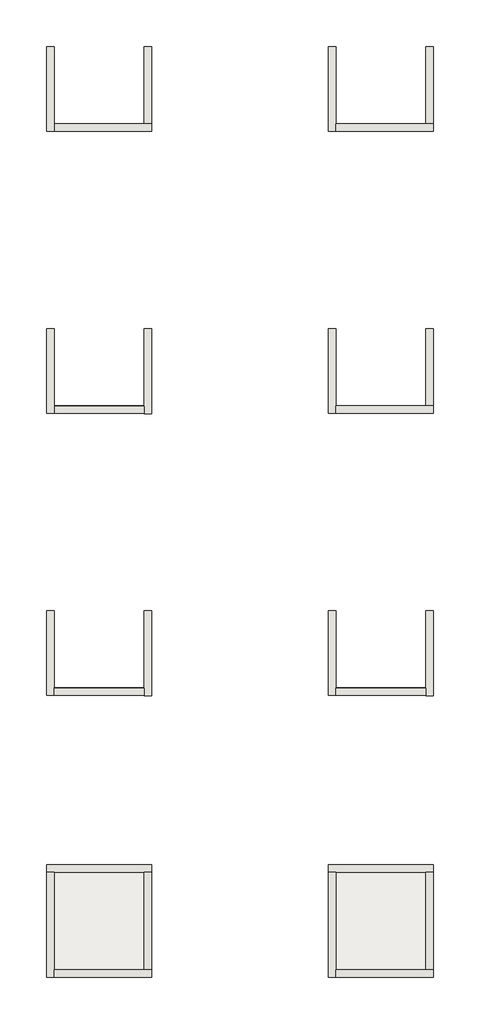
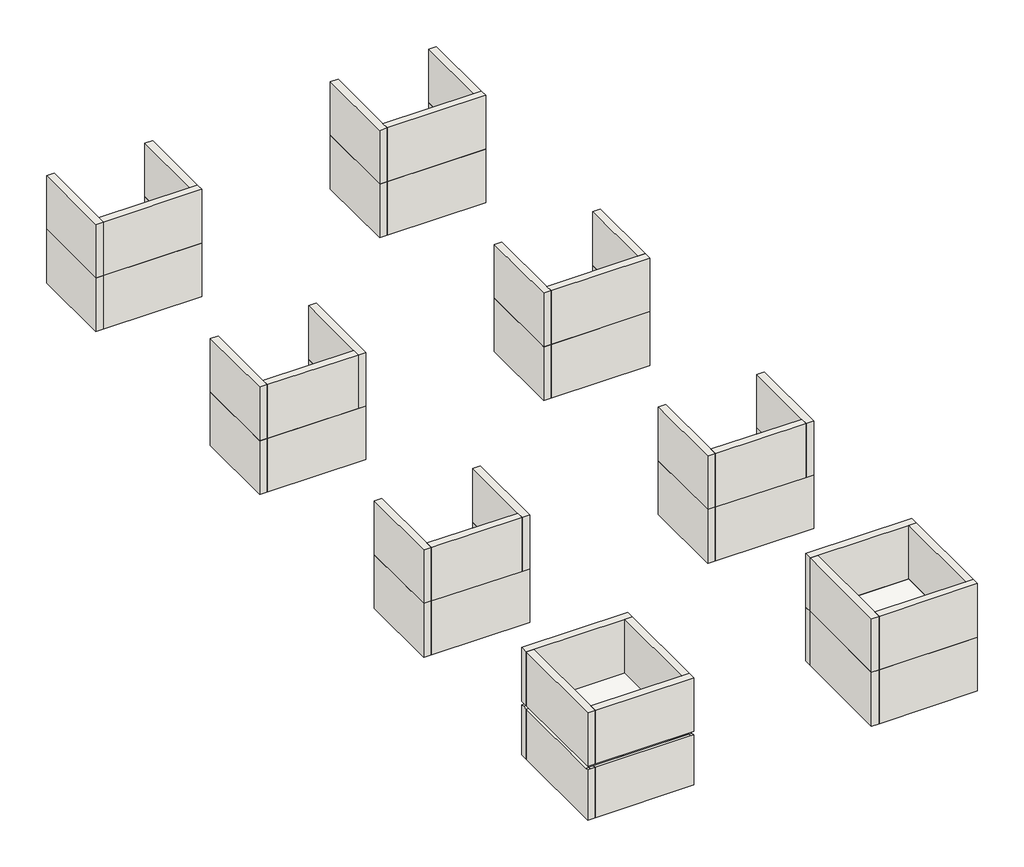
# Not in any storey: 52 walls, 2 slabs.
"""IFC4 building model written with IfcOpenShell, lengths in millimetres."""

from ifc_helpers import new_model, si_unit, frame, origin, origin_with_axes, place, context, project, spatial, polyline, outline, extrude, faceted_brep, element, save

model = new_model("IFC4")

# Units and contexts
model_context = context("Model", 3, world=origin())
ifc_project = project(units=[si_unit("LENGTHUNIT", "METRE", prefix="MILLI")], contexts=[model_context])

# Site, building
site = spatial("IfcSite", under=ifc_project)
building = spatial("IfcBuilding", under=site)

# Slabs
placement = place(None, origin())
element("IfcSlab", 1, ObjectType="STB 200", at=placement, inside=building, context=model_context, shape_type="SweptSolid", body=[
    extrude(outline(polyline([(7141.0627058, -46985.654052), (7141.0627058, -52665.654052), (1861.0627058, -52665.654052), (1861.0627058, -46985.654052), (7141.0627058, -46985.654052)])), frame((0.0, 0.0, 2800.0), z_axis=(0.0, 0.0, 1.0), x_axis=(1.0, 0.0, 0.0)), (0.0, 0.0, 1.0), 200.0),
])
element("IfcSlab", 2, ObjectType="STB 200", at=placement, inside=building, context=model_context, shape_type="SweptSolid", body=[
    extrude(outline(polyline([(22141.0627058, -46985.654052), (22141.0627058, -52665.654052), (16861.0627058, -52665.654052), (16861.0627058, -46985.654052), (22141.0627058, -46985.654052)])), frame((0.0, 0.0, 2800.0), z_axis=(0.0, 0.0, 1.0), x_axis=(1.0, 0.0, 0.0)), (0.0, 0.0, 1.0), 200.0),
])

# Walls
element("IfcWall", 3, at=placement, inside=building, context=model_context, shape_type="Brep", body=[
    faceted_brep([(1701.0627058, -3325.654052, 0.0), (1701.0627058, -7825.654052, 0.0), (1701.0627058, -7825.654052, 3000.0), (1701.0627058, -3325.654052, 3000.0), (2101.0627058, -3325.654052, 0.0), (2101.0627058, -3325.654052, 3000.0), (2101.0627058, -7425.654052, 3000.0), (2101.0627058, -7825.654052, 3000.0), (2101.0627058, -7825.654052, 0.0), (2101.0627058, -7425.654052, 0.0)], [[[0, 1, 2, 3]], [[4, 5, 6, 7, 8, 9]], [[1, 0, 4, 9, 8]], [[3, 2, 7, 6, 5]], [[0, 3, 5, 4]], [[2, 1, 8, 7]]]),
])
element("IfcWall", 4, at=placement, inside=building, context=model_context, shape_type="Brep", body=[
    faceted_brep([(2101.0627058, -7825.654052, 0.0), (7301.0627058, -7825.654052, 0.0), (7301.0627058, -7825.654052, 3000.0), (2101.0627058, -7825.654052, 3000.0), (2101.0627058, -7425.654052, 0.0), (2101.0627058, -7425.654052, 3000.0), (6901.0627058, -7425.654052, 3000.0), (7301.0627058, -7425.654052, 3000.0), (7301.0627058, -7425.654052, 0.0), (6901.0627058, -7425.654052, 0.0)], [[[0, 1, 2, 3]], [[4, 5, 6, 7, 8, 9]], [[1, 0, 4, 9, 8]], [[3, 2, 7, 6, 5]], [[0, 3, 5, 4]], [[2, 1, 8, 7]]]),
])
element("IfcWall", 5, at=placement, inside=building, context=model_context, shape_type="SweptSolid", body=[
    extrude(outline(polyline([(7301.0627058, -3325.654052), (7301.0627058, -7425.654052), (6901.0627058, -7425.654052), (6901.0627058, -3325.654052), (7301.0627058, -3325.654052)])), origin_with_axes(), (0.0, 0.0, 1.0), 3000.0),
])
element("IfcWall", 6, at=placement, inside=building, context=model_context, shape_type="Brep", body=[
    faceted_brep([(1701.0627058, -3325.654052, 3000.0), (1701.0627058, -7825.654052, 3000.0), (1701.0627058, -7825.654052, 6000.0), (1701.0627058, -3325.654052, 6000.0), (2101.0627058, -3325.654052, 3000.0), (2101.0627058, -3325.654052, 6000.0), (2101.0627058, -7425.654052, 6000.0), (2101.0627058, -7825.654052, 6000.0), (2101.0627058, -7825.654052, 3000.0), (2101.0627058, -7425.654052, 3000.0)], [[[0, 1, 2, 3]], [[4, 5, 6, 7, 8, 9]], [[1, 0, 4, 9, 8]], [[3, 2, 7, 6, 5]], [[0, 3, 5, 4]], [[2, 1, 8, 7]]]),
])
element("IfcWall", 7, at=placement, inside=building, context=model_context, shape_type="Brep", body=[
    faceted_brep([(2101.0627058, -7825.654052, 3000.0), (7301.0627058, -7825.654052, 3000.0), (7301.0627058, -7825.654052, 6000.0), (2101.0627058, -7825.654052, 6000.0), (2101.0627058, -7425.654052, 3000.0), (2101.0627058, -7425.654052, 6000.0), (6901.0627058, -7425.654052, 6000.0), (7301.0627058, -7425.654052, 6000.0), (7301.0627058, -7425.654052, 3000.0), (6901.0627058, -7425.654052, 3000.0)], [[[0, 1, 2, 3]], [[4, 5, 6, 7, 8, 9]], [[1, 0, 4, 9, 8]], [[3, 2, 7, 6, 5]], [[0, 3, 5, 4]], [[2, 1, 8, 7]]]),
])
element("IfcWall", 8, at=placement, inside=building, context=model_context, shape_type="SweptSolid", body=[
    extrude(outline(polyline([(7301.0627058, -3325.654052), (7301.0627058, -7425.654052), (6901.0627058, -7425.654052), (6901.0627058, -3325.654052), (7301.0627058, -3325.654052)])), frame((0.0, 0.0, 3000.0), z_axis=(0.0, 0.0, 1.0), x_axis=(1.0, 0.0, 0.0)), (0.0, 0.0, 1.0), 3000.0),
])
element("IfcWall", 9, at=placement, inside=building, context=model_context, shape_type="Brep", body=[
    faceted_brep([(16701.0627058, -3325.654052, 0.0), (16701.0627058, -7825.654052, 0.0), (16701.0627058, -7825.654052, 3000.0), (16701.0627058, -3325.654052, 3000.0), (17101.0627058, -3325.654052, 0.0), (17101.0627058, -3325.654052, 3000.0), (17101.0627058, -7425.654052, 3000.0), (17101.0627058, -7825.654052, 3000.0), (17101.0627058, -7825.654052, 0.0), (17101.0627058, -7425.654052, 0.0)], [[[0, 1, 2, 3]], [[4, 5, 6, 7, 8, 9]], [[1, 0, 4, 9, 8]], [[3, 2, 7, 6, 5]], [[0, 3, 5, 4]], [[2, 1, 8, 7]]]),
])
element("IfcWall", 10, at=placement, inside=building, context=model_context, shape_type="Brep", body=[
    faceted_brep([(17101.0627058, -7825.654052, 0.0), (22301.0627058, -7825.654052, 0.0), (22301.0627058, -7825.654052, 3000.0), (17101.0627058, -7825.654052, 3000.0), (17101.0627058, -7425.654052, 0.0), (17101.0627058, -7425.654052, 3000.0), (21901.0627058, -7425.654052, 3000.0), (22301.0627058, -7425.654052, 3000.0), (22301.0627058, -7425.654052, 0.0), (21901.0627058, -7425.654052, 0.0)], [[[0, 1, 2, 3]], [[4, 5, 6, 7, 8, 9]], [[1, 0, 4, 9, 8]], [[3, 2, 7, 6, 5]], [[0, 3, 5, 4]], [[2, 1, 8, 7]]]),
])
element("IfcWall", 11, at=placement, inside=building, context=model_context, shape_type="SweptSolid", body=[
    extrude(outline(polyline([(22301.0627058, -3325.654052), (22301.0627058, -7425.654052), (21901.0627058, -7425.654052), (21901.0627058, -3325.654052), (22301.0627058, -3325.654052)])), origin_with_axes(), (0.0, 0.0, 1.0), 3000.0),
])
element("IfcWall", 12, at=placement, inside=building, context=model_context, shape_type="Brep", body=[
    faceted_brep([(16701.0627058, -3325.654052, 3000.0), (16701.0627058, -7825.654052, 3000.0), (16701.0627058, -7825.654052, 6000.0), (16701.0627058, -3325.654052, 6000.0), (17101.0627058, -3325.654052, 3000.0), (17101.0627058, -3325.654052, 6000.0), (17101.0627058, -7425.654052, 6000.0), (17101.0627058, -7825.654052, 6000.0), (17101.0627058, -7825.654052, 3000.0), (17101.0627058, -7425.654052, 3000.0)], [[[0, 1, 2, 3]], [[4, 5, 6, 7, 8, 9]], [[1, 0, 4, 9, 8]], [[3, 2, 7, 6, 5]], [[0, 3, 5, 4]], [[2, 1, 8, 7]]]),
])
element("IfcWall", 13, at=placement, inside=building, context=model_context, shape_type="Brep", body=[
    faceted_brep([(17101.0627058, -7825.654052, 3000.0), (22301.0627058, -7825.654052, 3000.0), (22301.0627058, -7825.654052, 6000.0), (17101.0627058, -7825.654052, 6000.0), (17101.0627058, -7425.654052, 3000.0), (17101.0627058, -7425.654052, 6000.0), (21901.0627058, -7425.654052, 6000.0), (22301.0627058, -7425.654052, 6000.0), (22301.0627058, -7425.654052, 3000.0), (21901.0627058, -7425.654052, 3000.0)], [[[0, 1, 2, 3]], [[4, 5, 6, 7, 8, 9]], [[1, 0, 4, 9, 8]], [[3, 2, 7, 6, 5]], [[0, 3, 5, 4]], [[2, 1, 8, 7]]]),
])
element("IfcWall", 14, at=placement, inside=building, context=model_context, shape_type="SweptSolid", body=[
    extrude(outline(polyline([(22301.0627058, -3325.654052), (22301.0627058, -7425.654052), (21901.0627058, -7425.654052), (21901.0627058, -3325.654052), (22301.0627058, -3325.654052)])), frame((0.0, 0.0, 3000.0), z_axis=(0.0, 0.0, 1.0), x_axis=(1.0, 0.0, 0.0)), (0.0, 0.0, 1.0), 3000.0),
])
element("IfcWall", 15, at=placement, inside=building, context=model_context, shape_type="Brep", body=[
    faceted_brep([(16701.0627058, -18325.654052, 0.0), (16701.0627058, -22825.654052, 0.0), (16701.0627058, -22825.654052, 3000.0), (16701.0627058, -18325.654052, 3000.0), (17101.0627058, -18325.654052, 0.0), (17101.0627058, -18325.654052, 3000.0), (17101.0627058, -22425.654052, 3000.0), (17101.0627058, -22825.654052, 3000.0), (17101.0627058, -22825.654052, 0.0), (17101.0627058, -22425.654052, 0.0)], [[[0, 1, 2, 3]], [[4, 5, 6, 7, 8, 9]], [[1, 0, 4, 9, 8]], [[3, 2, 7, 6, 5]], [[0, 3, 5, 4]], [[2, 1, 8, 7]]]),
])
element("IfcWall", 16, at=placement, inside=building, context=model_context, shape_type="Brep", body=[
    faceted_brep([(17101.0627058, -22825.654052, 0.0), (22301.0627058, -22825.654052, 0.0), (22301.0627058, -22825.654052, 3000.0), (17101.0627058, -22825.654052, 3000.0), (17101.0627058, -22425.654052, 0.0), (17101.0627058, -22425.654052, 3000.0), (21901.0627058, -22425.654052, 3000.0), (22301.0627058, -22425.654052, 3000.0), (22301.0627058, -22425.654052, 0.0), (21901.0627058, -22425.654052, 0.0)], [[[0, 1, 2, 3]], [[4, 5, 6, 7, 8, 9]], [[1, 0, 4, 9, 8]], [[3, 2, 7, 6, 5]], [[0, 3, 5, 4]], [[2, 1, 8, 7]]]),
])
element("IfcWall", 17, at=placement, inside=building, context=model_context, shape_type="SweptSolid", body=[
    extrude(outline(polyline([(22301.0627058, -18325.654052), (22301.0627058, -22425.654052), (21901.0627058, -22425.654052), (21901.0627058, -18325.654052), (22301.0627058, -18325.654052)])), origin_with_axes(), (0.0, 0.0, 1.0), 3000.0),
])
element("IfcWall", 18, at=placement, inside=building, context=model_context, shape_type="Brep", body=[
    faceted_brep([(1701.0627058, -18325.654052, 0.0), (1701.0627058, -22825.654052, 0.0), (1701.0627058, -22825.654052, 3000.0), (1701.0627058, -22823.9908575, 3000.0), (1701.0627058, -18325.654052, 3000.0), (2101.0627058, -18325.654052, 0.0), (2101.0627058, -18325.654052, 3000.0), (2101.0627058, -22425.654052, 3000.0), (2101.0627058, -22825.654052, 3000.0), (2101.0627058, -22825.654052, 0.0), (2101.0627058, -22425.654052, 0.0)], [[[0, 1, 2, 3, 4]], [[5, 6, 7, 8, 9, 10]], [[1, 0, 5, 10, 9]], [[4, 3, 2, 8, 7, 6]], [[0, 4, 6, 5]], [[2, 1, 9, 8]]]),
])
element("IfcWall", 19, at=placement, inside=building, context=model_context, shape_type="Brep", body=[
    faceted_brep([(2101.0627058, -22825.654052, 0.0), (7301.0627058, -22825.654052, 0.0), (7301.0627058, -22825.654052, 3000.0), (2101.0627058, -22825.654052, 3000.0), (2101.0627058, -22425.654052, 0.0), (2101.0627058, -22425.654052, 3000.0), (6901.0627058, -22425.654052, 3000.0), (7301.0627058, -22425.654052, 3000.0), (7301.0627058, -22425.654052, 0.0), (6901.0627058, -22425.654052, 0.0)], [[[0, 1, 2, 3]], [[4, 5, 6, 7, 8, 9]], [[1, 0, 4, 9, 8]], [[3, 2, 7, 6, 5]], [[0, 3, 5, 4]], [[2, 1, 8, 7]]]),
])
element("IfcWall", 20, at=placement, inside=building, context=model_context, shape_type="SweptSolid", body=[
    extrude(outline(polyline([(7301.0627058, -18325.654052), (7301.0627058, -22425.654052), (6901.0627058, -22425.654052), (6901.0627058, -18325.654052), (7301.0627058, -18325.654052)])), origin_with_axes(), (0.0, 0.0, 1.0), 3000.0),
])
element("IfcWall", 21, at=placement, inside=building, context=model_context, shape_type="Brep", body=[
    faceted_brep([(16701.0627058, -18325.654052, 3000.0), (16701.0627058, -22825.654052, 3000.0), (16701.0627058, -22825.654052, 6000.0), (16701.0627058, -18325.654052, 6000.0), (17101.0627058, -18325.654052, 3000.0), (17101.0627058, -18325.654052, 6000.0), (17101.0627058, -22425.654052, 6000.0), (17101.0627058, -22825.654052, 6000.0), (17101.0627058, -22825.654052, 3000.0), (17101.0627058, -22425.654052, 3000.0)], [[[0, 1, 2, 3]], [[4, 5, 6, 7, 8, 9]], [[1, 0, 4, 9, 8]], [[3, 2, 7, 6, 5]], [[0, 3, 5, 4]], [[2, 1, 8, 7]]]),
])
element("IfcWall", 22, at=placement, inside=building, context=model_context, shape_type="Brep", body=[
    faceted_brep([(17101.0627058, -22825.654052, 3000.0), (22301.0627058, -22825.654052, 3000.0), (22301.0627058, -22825.654052, 6000.0), (17101.0627058, -22825.654052, 6000.0), (17101.0627058, -22425.654052, 3000.0), (17101.0627058, -22425.654052, 6000.0), (21901.0627058, -22425.654052, 6000.0), (22301.0627058, -22425.654052, 6000.0), (22301.0627058, -22425.654052, 3000.0), (21901.0627058, -22425.654052, 3000.0)], [[[0, 1, 2, 3]], [[4, 5, 6, 7, 8, 9]], [[1, 0, 4, 9, 8]], [[3, 2, 7, 6, 5]], [[0, 3, 5, 4]], [[2, 1, 8, 7]]]),
])
element("IfcWall", 23, at=placement, inside=building, context=model_context, shape_type="SweptSolid", body=[
    extrude(outline(polyline([(22301.0627058, -18325.654052), (22301.0627058, -22425.654052), (21901.0627058, -22425.654052), (21901.0627058, -18325.654052), (22301.0627058, -18325.654052)])), frame((0.0, 0.0, 3000.0), z_axis=(0.0, 0.0, 1.0), x_axis=(1.0, 0.0, 0.0)), (0.0, 0.0, 1.0), 3000.0),
])
element("IfcWall", 24, at=placement, inside=building, context=model_context, shape_type="Brep", body=[
    faceted_brep([(1701.0627058, -18325.654052, 3000.0), (1701.0627058, -22823.9908575, 3000.0), (1701.0627058, -22823.9908575, 6000.0), (1701.0627058, -18325.654052, 6000.0), (2101.0627058, -18325.654052, 3000.0), (2101.0627058, -18325.654052, 6000.0), (2101.0627058, -22425.654052, 6000.0), (2101.0627058, -22825.6575242, 6000.0), (2101.0627058, -22825.6575242, 3000.0), (2101.0627058, -22425.654052, 3000.0)], [[[0, 1, 2, 3]], [[4, 5, 6, 7, 8, 9]], [[1, 0, 4, 9, 8]], [[3, 2, 7, 6, 5]], [[0, 3, 5, 4]], [[2, 1, 8, 7]]]),
])
element("IfcWall", 25, at=placement, inside=building, context=model_context, shape_type="Brep", body=[
    faceted_brep([(7301.0627058, -22847.3241908, 3000.0), (7301.0627058, -22425.654052, 3000.0), (7301.0627058, -18325.654052, 3000.0), (7301.0627058, -18325.654052, 6000.0), (7301.0627058, -22847.3241908, 6000.0), (6901.0627058, -22845.6575242, 3000.0), (6901.0627058, -22845.6575242, 6000.0), (6901.0627058, -22445.654052, 6000.0), (6901.0627058, -18325.654052, 6000.0), (6901.0627058, -18325.654052, 3000.0), (6901.0627058, -22425.654052, 3000.0), (6901.0627058, -22445.654052, 3000.0)], [[[0, 1, 2, 3, 4]], [[5, 6, 7, 8, 9, 10, 11]], [[2, 1, 0, 5, 11, 10, 9]], [[3, 2, 9, 8]], [[4, 3, 8, 7, 6]], [[0, 4, 6, 5]]]),
])
element("IfcWall", 26, at=placement, inside=building, context=model_context, shape_type="SweptSolid", body=[
    extrude(outline(polyline([(2101.0627058, -22425.654052), (6901.0627058, -22445.654052), (6901.0627058, -22845.6575242), (2101.0627058, -22825.6575242), (2101.0627058, -22425.654052)])), frame((0.0, 0.0, 3000.0), z_axis=(0.0, 0.0, 1.0), x_axis=(1.0, 0.0, 0.0)), (0.0, 0.0, 1.0), 3000.0),
])
element("IfcWall", 27, at=placement, inside=building, context=model_context, shape_type="Brep", body=[
    faceted_brep([(1701.0627058, -33325.654052, 0.0), (1701.0627058, -37825.654052, 0.0), (1701.0627058, -37825.654052, 3000.0), (1701.0627058, -37823.9908575, 3000.0), (1701.0627058, -33325.654052, 3000.0), (2101.0627058, -33325.654052, 0.0), (2101.0627058, -33325.654052, 3000.0), (2101.0627058, -37425.654052, 3000.0), (2101.0627058, -37825.654052, 3000.0), (2101.0627058, -37825.654052, 0.0), (2101.0627058, -37425.654052, 0.0)], [[[0, 1, 2, 3, 4]], [[5, 6, 7, 8, 9, 10]], [[1, 0, 5, 10, 9]], [[4, 3, 2, 8, 7, 6]], [[0, 4, 6, 5]], [[2, 1, 9, 8]]]),
])
element("IfcWall", 28, at=placement, inside=building, context=model_context, shape_type="Brep", body=[
    faceted_brep([(2101.0627058, -37825.654052, 0.0), (7301.0627058, -37825.654052, 0.0), (7301.0627058, -37825.654052, 3000.0), (2101.0627058, -37825.654052, 3000.0), (2101.0627058, -37425.654052, 0.0), (2101.0627058, -37425.654052, 3000.0), (6901.0627058, -37425.654052, 3000.0), (7301.0627058, -37425.654052, 3000.0), (7301.0627058, -37425.654052, 0.0), (6901.0627058, -37425.654052, 0.0)], [[[0, 1, 2, 3]], [[4, 5, 6, 7, 8, 9]], [[1, 0, 4, 9, 8]], [[3, 2, 7, 6, 5]], [[0, 3, 5, 4]], [[2, 1, 8, 7]]]),
])
element("IfcWall", 29, at=placement, inside=building, context=model_context, shape_type="SweptSolid", body=[
    extrude(outline(polyline([(7301.0627058, -33325.654052), (7301.0627058, -37425.654052), (6901.0627058, -37425.654052), (6901.0627058, -33325.654052), (7301.0627058, -33325.654052)])), origin_with_axes(), (0.0, 0.0, 1.0), 3000.0),
])
element("IfcWall", 30, at=placement, inside=building, context=model_context, shape_type="Brep", body=[
    faceted_brep([(1701.0627058, -33325.654052, 3000.0), (1701.0627058, -37823.9908575, 3000.0), (1701.0627058, -37823.9908575, 6000.0), (1701.0627058, -33325.654052, 6000.0), (2101.0627058, -33325.654052, 3000.0), (2101.0627058, -33325.654052, 6000.0), (2101.0627058, -37425.654052, 6000.0), (2101.0627058, -37825.6575242, 6000.0), (2101.0627058, -37825.6575242, 3000.0), (2101.0627058, -37425.654052, 3000.0)], [[[0, 1, 2, 3]], [[4, 5, 6, 7, 8, 9]], [[1, 0, 4, 9, 8]], [[3, 2, 7, 6, 5]], [[0, 3, 5, 4]], [[2, 1, 8, 7]]]),
])
element("IfcWall", 31, at=placement, inside=building, context=model_context, shape_type="Brep", body=[
    faceted_brep([(7301.0627058, -37847.3241908, 3000.0), (7301.0627058, -37425.654052, 3000.0), (7301.0627058, -33325.654052, 3000.0), (7301.0627058, -33325.654052, 6000.0), (7301.0627058, -37847.3241908, 6000.0), (6901.0627058, -37845.6575242, 3000.0), (6901.0627058, -37845.6575242, 6000.0), (6901.0627058, -37445.654052, 6000.0), (6901.0627058, -33325.654052, 6000.0), (6901.0627058, -33325.654052, 3000.0), (6901.0627058, -37425.654052, 3000.0), (6901.0627058, -37445.654052, 3000.0)], [[[0, 1, 2, 3, 4]], [[5, 6, 7, 8, 9, 10, 11]], [[2, 1, 0, 5, 11, 10, 9]], [[3, 2, 9, 8]], [[4, 3, 8, 7, 6]], [[0, 4, 6, 5]]]),
])
element("IfcWall", 32, at=placement, inside=building, context=model_context, shape_type="SweptSolid", body=[
    extrude(outline(polyline([(2101.0627058, -37425.654052), (6901.0627058, -37445.654052), (6901.0627058, -37845.6575242), (2101.0627058, -37825.6575242), (2101.0627058, -37425.654052)])), frame((0.0, 0.0, 3000.0), z_axis=(0.0, 0.0, 1.0), x_axis=(1.0, 0.0, 0.0)), (0.0, 0.0, 1.0), 3000.0),
])
element("IfcWall", 33, at=placement, inside=building, context=model_context, shape_type="Brep", body=[
    faceted_brep([(16701.0627058, -33325.654052, 0.0), (16701.0627058, -37825.654052, 0.0), (16701.0627058, -37825.654052, 3000.0), (16701.0627058, -37823.9908575, 3000.0), (16701.0627058, -33325.654052, 3000.0), (17101.0627058, -33325.654052, 0.0), (17101.0627058, -33325.654052, 3000.0), (17101.0627058, -37425.654052, 3000.0), (17101.0627058, -37825.654052, 3000.0), (17101.0627058, -37825.654052, 0.0), (17101.0627058, -37425.654052, 0.0)], [[[0, 1, 2, 3, 4]], [[5, 6, 7, 8, 9, 10]], [[1, 0, 5, 10, 9]], [[4, 3, 2, 8, 7, 6]], [[0, 4, 6, 5]], [[2, 1, 9, 8]]]),
])
element("IfcWall", 34, at=placement, inside=building, context=model_context, shape_type="Brep", body=[
    faceted_brep([(17101.0627058, -37825.654052, 0.0), (22301.0627058, -37825.654052, 0.0), (22301.0627058, -37825.654052, 3000.0), (17101.0627058, -37825.654052, 3000.0), (17101.0627058, -37425.654052, 0.0), (17101.0627058, -37425.654052, 3000.0), (21901.0627058, -37425.654052, 3000.0), (22301.0627058, -37425.654052, 3000.0), (22301.0627058, -37425.654052, 0.0), (21901.0627058, -37425.654052, 0.0)], [[[0, 1, 2, 3]], [[4, 5, 6, 7, 8, 9]], [[1, 0, 4, 9, 8]], [[3, 2, 7, 6, 5]], [[0, 3, 5, 4]], [[2, 1, 8, 7]]]),
])
element("IfcWall", 35, at=placement, inside=building, context=model_context, shape_type="SweptSolid", body=[
    extrude(outline(polyline([(22301.0627058, -33325.654052), (22301.0627058, -37425.654052), (21901.0627058, -37425.654052), (21901.0627058, -33325.654052), (22301.0627058, -33325.654052)])), origin_with_axes(), (0.0, 0.0, 1.0), 3000.0),
])
element("IfcWall", 36, at=placement, inside=building, context=model_context, shape_type="Brep", body=[
    faceted_brep([(16701.0627058, -33325.654052, 3000.0), (16701.0627058, -37823.9908575, 3000.0), (16701.0627058, -37823.9908575, 6000.0), (16701.0627058, -33325.654052, 6000.0), (17101.0627058, -33325.654052, 3000.0), (17101.0627058, -33325.654052, 6000.0), (17101.0627058, -37425.654052, 6000.0), (17101.0627058, -37825.6575242, 6000.0), (17101.0627058, -37825.6575242, 3000.0), (17101.0627058, -37425.654052, 3000.0)], [[[0, 1, 2, 3]], [[4, 5, 6, 7, 8, 9]], [[1, 0, 4, 9, 8]], [[3, 2, 7, 6, 5]], [[0, 3, 5, 4]], [[2, 1, 8, 7]]]),
])
element("IfcWall", 37, at=placement, inside=building, context=model_context, shape_type="Brep", body=[
    faceted_brep([(22301.0627058, -37847.3241908, 3000.0), (22301.0627058, -37425.654052, 3000.0), (22301.0627058, -33325.654052, 3000.0), (22301.0627058, -33325.654052, 6000.0), (22301.0627058, -37847.3241908, 6000.0), (21901.0627058, -37845.6575242, 3000.0), (21901.0627058, -37845.6575242, 6000.0), (21901.0627058, -37445.654052, 6000.0), (21901.0627058, -33325.654052, 6000.0), (21901.0627058, -33325.654052, 3000.0), (21901.0627058, -37425.654052, 3000.0), (21901.0627058, -37445.654052, 3000.0)], [[[0, 1, 2, 3, 4]], [[5, 6, 7, 8, 9, 10, 11]], [[2, 1, 0, 5, 11, 10, 9]], [[3, 2, 9, 8]], [[4, 3, 8, 7, 6]], [[0, 4, 6, 5]]]),
])
element("IfcWall", 38, at=placement, inside=building, context=model_context, shape_type="SweptSolid", body=[
    extrude(outline(polyline([(17101.0627058, -37425.654052), (21901.0627058, -37445.654052), (21901.0627058, -37845.6575242), (17101.0627058, -37825.6575242), (17101.0627058, -37425.654052)])), frame((0.0, 0.0, 3000.0), z_axis=(0.0, 0.0, 1.0), x_axis=(1.0, 0.0, 0.0)), (0.0, 0.0, 1.0), 3000.0),
])
element("IfcWall", 39, at=placement, inside=building, context=model_context, shape_type="Brep", body=[
    faceted_brep([(1701.0627058, -47225.654052, 0.0), (1701.0627058, -52825.654052, 0.0), (1701.0627058, -52825.654052, 2800.0), (1701.0627058, -52665.654052, 2800.0), (1701.0627058, -47225.654052, 2800.0), (2101.0627058, -47225.654052, 0.0), (2101.0627058, -47225.654052, 2800.0), (2101.0627058, -52425.654052, 2800.0), (2101.0627058, -52665.654052, 2800.0), (2101.0627058, -52825.654052, 2800.0), (2101.0627058, -52825.654052, 0.0), (2101.0627058, -52425.654052, 0.0), (1861.0627058, -52825.654052, 2800.0), (1861.0627058, -47225.654052, 2800.0), (1861.0627058, -52665.654052, 2800.0)], [[[0, 1, 2, 3, 4]], [[5, 6, 7, 8, 9, 10, 11]], [[1, 0, 5, 11, 10]], [[2, 1, 10, 9, 12]], [[0, 4, 13, 6, 5]], [[4, 3, 14, 13]], [[12, 9, 8, 14]], [[3, 2, 12, 14]], [[14, 8, 7, 6, 13]]]),
])
element("IfcWall", 40, at=placement, inside=building, context=model_context, shape_type="Brep", body=[
    faceted_brep([(2101.0627058, -52825.654052, 0.0), (7301.0627058, -52825.654052, 0.0), (7301.0627058, -52825.654052, 2800.0), (7141.0627058, -52825.654052, 2800.0), (2101.0627058, -52825.654052, 2800.0), (2101.0627058, -52425.654052, 0.0), (2101.0627058, -52425.654052, 2800.0), (6901.0627058, -52425.654052, 2800.0), (7141.0627058, -52425.654052, 2800.0), (7301.0627058, -52425.654052, 2800.0), (7301.0627058, -52425.654052, 0.0), (6901.0627058, -52425.654052, 0.0), (2101.0627058, -52665.654052, 2800.0), (7301.0627058, -52665.654052, 2800.0), (7141.0627058, -52665.654052, 2800.0)], [[[0, 1, 2, 3, 4]], [[5, 6, 7, 8, 9, 10, 11]], [[1, 0, 5, 11, 10]], [[0, 4, 12, 6, 5]], [[2, 1, 10, 9, 13]], [[4, 3, 14, 12]], [[13, 9, 8, 14]], [[3, 2, 13, 14]], [[14, 8, 7, 6, 12]]]),
])
element("IfcWall", 41, at=placement, inside=building, context=model_context, shape_type="SweptSolid", body=[
    extrude(outline(polyline([(0.0, 7301.0627058), (2800.0, 7301.0627058), (2800.0, 7141.0627058), (2800.0, 6901.0627058), (0.0, 6901.0627058), (0.0, 7301.0627058)])), frame((0.0, -52425.654052, 0.0), z_axis=(0.0, 1.0, 0.0), x_axis=(0.0, 0.0, 1.0)), (0.0, 0.0, 1.0), 5200.0),
])
element("IfcWall", 42, at=placement, inside=building, context=model_context, shape_type="Brep", body=[
    faceted_brep([(1701.0627058, -47225.654052, 3000.0), (1701.0627058, -52825.654052, 3000.0), (1701.0627058, -52825.654052, 6000.0), (1701.0627058, -47225.654052, 6000.0), (2101.0627058, -47225.654052, 3000.0), (2101.0627058, -47225.654052, 6000.0), (2101.0627058, -52425.654052, 6000.0), (2101.0627058, -52825.654052, 6000.0), (2101.0627058, -52825.654052, 3000.0), (2101.0627058, -52425.654052, 3000.0)], [[[0, 1, 2, 3]], [[4, 5, 6, 7, 8, 9]], [[1, 0, 4, 9, 8]], [[3, 2, 7, 6, 5]], [[2, 1, 8, 7]], [[0, 3, 5, 4]]]),
])
element("IfcWall", 43, at=placement, inside=building, context=model_context, shape_type="Brep", body=[
    faceted_brep([(2101.0627058, -52825.654052, 3000.0), (7301.0627058, -52825.654052, 3000.0), (7301.0627058, -52825.654052, 6000.0), (2101.0627058, -52825.654052, 6000.0), (2101.0627058, -52425.654052, 3000.0), (2101.0627058, -52425.654052, 6000.0), (6901.0627058, -52425.654052, 6000.0), (7301.0627058, -52425.654052, 6000.0), (7301.0627058, -52425.654052, 3000.0), (6901.0627058, -52425.654052, 3000.0)], [[[0, 1, 2, 3]], [[4, 5, 6, 7, 8, 9]], [[1, 0, 4, 9, 8]], [[3, 2, 7, 6, 5]], [[0, 3, 5, 4]], [[2, 1, 8, 7]]]),
])
element("IfcWall", 44, at=placement, inside=building, context=model_context, shape_type="SweptSolid", body=[
    extrude(outline(polyline([(7301.0627058, -47225.654052), (7301.0627058, -52425.654052), (6901.0627058, -52425.654052), (6901.0627058, -47225.654052), (7301.0627058, -47225.654052)])), frame((0.0, 0.0, 3000.0), z_axis=(0.0, 0.0, 1.0), x_axis=(1.0, 0.0, 0.0)), (0.0, 0.0, 1.0), 3000.0),
])
element("IfcWall", 45, at=placement, inside=building, context=model_context, shape_type="Brep", body=[
    faceted_brep([(1701.0627058, -47225.654052, 0.0), (2101.0627058, -47225.654052, 0.0), (6901.0627058, -47225.654052, 0.0), (7301.0627058, -47225.654052, 0.0), (7301.0627058, -47225.654052, 2800.0), (7141.0627058, -47225.654052, 2800.0), (6901.0627058, -47225.654052, 2800.0), (2101.0627058, -47225.654052, 2800.0), (1861.0627058, -47225.654052, 2800.0), (1701.0627058, -47225.654052, 2800.0), (1701.0627058, -46825.654052, 0.0), (1701.0627058, -46825.654052, 2800.0), (1861.0627058, -46825.654052, 2800.0), (7141.0627058, -46825.654052, 2800.0), (7301.0627058, -46825.654052, 2800.0), (7301.0627058, -46825.654052, 0.0), (1701.0627058, -46985.654052, 2800.0), (7301.0627058, -46985.654052, 2800.0), (7141.0627058, -46985.654052, 2800.0), (1861.0627058, -46985.654052, 2800.0)], [[[0, 1, 2, 3, 4, 5, 6, 7, 8, 9]], [[10, 11, 12, 13, 14, 15]], [[3, 2, 1, 0, 10, 15]], [[0, 9, 16, 11, 10]], [[4, 3, 15, 14, 17]], [[18, 13, 12, 19]], [[9, 8, 19, 16]], [[19, 12, 11, 16]], [[5, 4, 17, 18]], [[17, 14, 13, 18]], [[8, 7, 6, 5, 18, 19]]]),
])
element("IfcWall", 46, at=placement, inside=building, context=model_context, shape_type="Brep", body=[
    faceted_brep([(1701.0627058, -47225.654052, 3000.0), (2101.0627058, -47225.654052, 3000.0), (6901.0627058, -47225.654052, 3000.0), (7301.0627058, -47225.654052, 3000.0), (7301.0627058, -47225.654052, 6000.0), (6901.0627058, -47225.654052, 6000.0), (2101.0627058, -47225.654052, 6000.0), (1701.0627058, -47225.654052, 6000.0), (1701.0627058, -46825.654052, 3000.0), (1701.0627058, -46825.654052, 6000.0), (7301.0627058, -46825.654052, 6000.0), (7301.0627058, -46825.654052, 3000.0)], [[[0, 1, 2, 3, 4, 5, 6, 7]], [[8, 9, 10, 11]], [[3, 2, 1, 0, 8, 11]], [[7, 6, 5, 4, 10, 9]], [[0, 7, 9, 8]], [[4, 3, 11, 10]]]),
])
element("IfcWall", 47, at=placement, inside=building, context=model_context, shape_type="Brep", body=[
    faceted_brep([(16701.0627058, -47225.654052, 0.0), (16701.0627058, -52825.654052, 0.0), (16701.0627058, -52825.654052, 3000.0), (16701.0627058, -47225.654052, 3000.0), (17101.0627058, -47225.654052, 0.0), (17101.0627058, -47225.654052, 3000.0), (17101.0627058, -52425.654052, 3000.0), (17101.0627058, -52825.654052, 3000.0), (17101.0627058, -52825.654052, 0.0), (17101.0627058, -52425.654052, 0.0)], [[[0, 1, 2, 3]], [[4, 5, 6, 7, 8, 9]], [[1, 0, 4, 9, 8]], [[3, 2, 7, 6, 5]], [[2, 1, 8, 7]], [[0, 3, 5, 4]]]),
])
element("IfcWall", 48, at=placement, inside=building, context=model_context, shape_type="Brep", body=[
    faceted_brep([(17101.0627058, -52825.654052, 0.0), (22301.0627058, -52825.654052, 0.0), (22301.0627058, -52825.654052, 3000.0), (17101.0627058, -52825.654052, 3000.0), (17101.0627058, -52425.654052, 0.0), (17101.0627058, -52425.654052, 3000.0), (21901.0627058, -52425.654052, 3000.0), (22301.0627058, -52425.654052, 3000.0), (22301.0627058, -52425.654052, 0.0), (21901.0627058, -52425.654052, 0.0)], [[[0, 1, 2, 3]], [[4, 5, 6, 7, 8, 9]], [[1, 0, 4, 9, 8]], [[3, 2, 7, 6, 5]], [[0, 3, 5, 4]], [[2, 1, 8, 7]]]),
])
element("IfcWall", 49, at=placement, inside=building, context=model_context, shape_type="SweptSolid", body=[
    extrude(outline(polyline([(22301.0627058, -47225.654052), (22301.0627058, -52425.654052), (21901.0627058, -52425.654052), (21901.0627058, -47225.654052), (22301.0627058, -47225.654052)])), origin_with_axes(), (0.0, 0.0, 1.0), 3000.0),
])
element("IfcWall", 50, at=placement, inside=building, context=model_context, shape_type="Brep", body=[
    faceted_brep([(16701.0627058, -47225.654052, 3000.0), (16701.0627058, -52825.654052, 3000.0), (16701.0627058, -52825.654052, 6000.0), (16701.0627058, -47225.654052, 6000.0), (17101.0627058, -47225.654052, 3000.0), (17101.0627058, -47225.654052, 6000.0), (17101.0627058, -52425.654052, 6000.0), (17101.0627058, -52825.654052, 6000.0), (17101.0627058, -52825.654052, 3000.0), (17101.0627058, -52425.654052, 3000.0)], [[[0, 1, 2, 3]], [[4, 5, 6, 7, 8, 9]], [[1, 0, 4, 9, 8]], [[3, 2, 7, 6, 5]], [[2, 1, 8, 7]], [[0, 3, 5, 4]]]),
])
element("IfcWall", 51, at=placement, inside=building, context=model_context, shape_type="Brep", body=[
    faceted_brep([(17101.0627058, -52825.654052, 3000.0), (22301.0627058, -52825.654052, 3000.0), (22301.0627058, -52825.654052, 6000.0), (17101.0627058, -52825.654052, 6000.0), (17101.0627058, -52425.654052, 3000.0), (17101.0627058, -52425.654052, 6000.0), (21901.0627058, -52425.654052, 6000.0), (22301.0627058, -52425.654052, 6000.0), (22301.0627058, -52425.654052, 3000.0), (21901.0627058, -52425.654052, 3000.0)], [[[0, 1, 2, 3]], [[4, 5, 6, 7, 8, 9]], [[1, 0, 4, 9, 8]], [[3, 2, 7, 6, 5]], [[0, 3, 5, 4]], [[2, 1, 8, 7]]]),
])
element("IfcWall", 52, at=placement, inside=building, context=model_context, shape_type="SweptSolid", body=[
    extrude(outline(polyline([(22301.0627058, -47225.654052), (22301.0627058, -52425.654052), (21901.0627058, -52425.654052), (21901.0627058, -47225.654052), (22301.0627058, -47225.654052)])), frame((0.0, 0.0, 3000.0), z_axis=(0.0, 0.0, 1.0), x_axis=(1.0, 0.0, 0.0)), (0.0, 0.0, 1.0), 3000.0),
])
element("IfcWall", 53, at=placement, inside=building, context=model_context, shape_type="Brep", body=[
    faceted_brep([(16701.0627058, -47225.654052, 0.0), (17101.0627058, -47225.654052, 0.0), (21901.0627058, -47225.654052, 0.0), (22301.0627058, -47225.654052, 0.0), (22301.0627058, -47225.654052, 3000.0), (21901.0627058, -47225.654052, 3000.0), (17101.0627058, -47225.654052, 3000.0), (16701.0627058, -47225.654052, 3000.0), (16701.0627058, -46825.654052, 0.0), (16701.0627058, -46825.654052, 3000.0), (22301.0627058, -46825.654052, 3000.0), (22301.0627058, -46825.654052, 0.0)], [[[0, 1, 2, 3, 4, 5, 6, 7]], [[8, 9, 10, 11]], [[3, 2, 1, 0, 8, 11]], [[7, 6, 5, 4, 10, 9]], [[0, 7, 9, 8]], [[4, 3, 11, 10]]]),
])
element("IfcWall", 54, at=placement, inside=building, context=model_context, shape_type="Brep", body=[
    faceted_brep([(16701.0627058, -47225.654052, 3000.0), (17101.0627058, -47225.654052, 3000.0), (21901.0627058, -47225.654052, 3000.0), (22301.0627058, -47225.654052, 3000.0), (22301.0627058, -47225.654052, 6000.0), (21901.0627058, -47225.654052, 6000.0), (17101.0627058, -47225.654052, 6000.0), (16701.0627058, -47225.654052, 6000.0), (16701.0627058, -46825.654052, 3000.0), (16701.0627058, -46825.654052, 6000.0), (22301.0627058, -46825.654052, 6000.0), (22301.0627058, -46825.654052, 3000.0)], [[[0, 1, 2, 3, 4, 5, 6, 7]], [[8, 9, 10, 11]], [[3, 2, 1, 0, 8, 11]], [[7, 6, 5, 4, 10, 9]], [[0, 7, 9, 8]], [[4, 3, 11, 10]]]),
])

save(model, "model.ifc")
